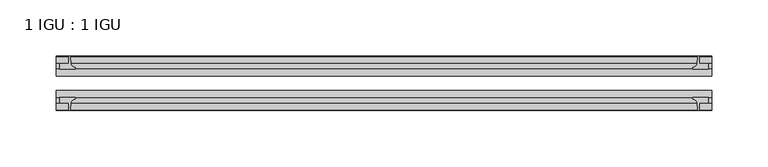
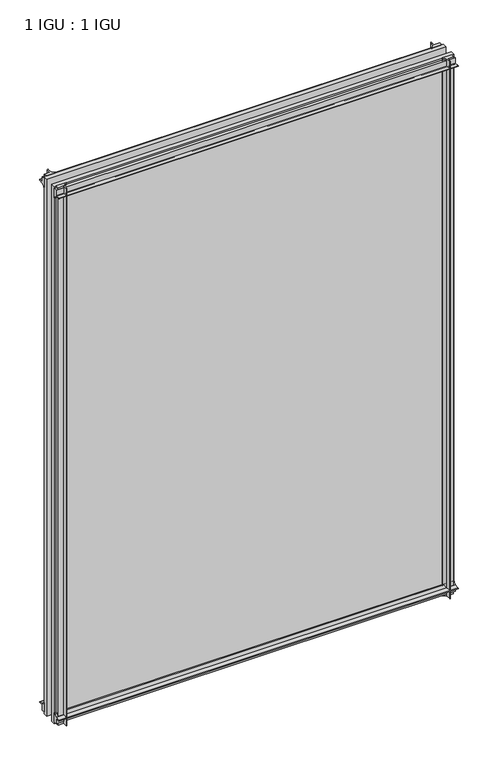
"""IFC4 building model written with IfcOpenShell, lengths in millimetres: plate geometry, 1 IGU : 1 IGU."""

from ifc_helpers import new_model, si_unit, point, frame, frame_2d, origin, place, context, project, spatial, polyline, circle_curve, trimmed, segment, composite_curve, outline, extrude, source, transform, mapped, element, save


def plate_1_igu_1_igu_956db129(model_context):
    return source(origin(), model_context, "Body", "SweptSolid", [
        extrude(outline(composite_curve([segment(polyline([(-42.3267187, -8.2068385), (-47.0892187, -8.2068385), (-47.0892187, 0.0), (-53.563779, 0.0)]), True, "CONTINUOUS"), segment(trimmed(circle_curve(frame_2d((-53.0328134, 0.3482823)), 0.635), [point((-53.563779, 0.0))], [point((-53.0575397, 0.9828007))], False, "CARTESIAN"), True, "CONTINUOUS"), segment(trimmed(circle_curve(frame_2d((-54.2310045, 31.0958559)), 30.1359106), [point((-53.0575397, 0.9828007))], [point((-47.0834032, 1.8198434))], True, "CARTESIAN"), True, "CONTINUOUS"), segment(trimmed(circle_curve(frame_2d((-48.2159797, 6.4587878)), 4.7752), [point((-47.0834032, 1.8198434))], [point((-43.578416, 5.3205707))], True, "CARTESIAN"), True, "CONTINUOUS"), segment(trimmed(circle_curve(frame_2d((-42.9617187, 5.169212)), 0.635), [point((-43.578416, 5.3205707))], [point((-42.3267187, 5.169212))], False, "CARTESIAN"), True, "CONTINUOUS"), segment(polyline([(-42.3267187, 5.169212), (-42.3267187, -8.2068385)]), True, "CONTINUOUS")], self_intersect=False)), frame((-290.5125, 0.0, 0.0), z_axis=(1.0, 0.0, 0.0), x_axis=(0.0, 1.0, 0.0)), (0.0, 0.0, 1.0), 581.025),
        extrude(outline(composite_curve([segment(polyline([(-16.9267187, -8.2068385), (-16.9267187, 5.169212)]), True, "CONTINUOUS"), segment(trimmed(circle_curve(frame_2d((-16.2917187, 5.169212)), 0.635), [point((-16.9267187, 5.169212))], [point((-15.6750215, 5.3205707))], False, "CARTESIAN"), True, "CONTINUOUS"), segment(trimmed(circle_curve(frame_2d((-11.0374578, 6.4587878)), 4.7752), [point((-15.6750215, 5.3205707))], [point((-12.1700343, 1.8198434))], True, "CARTESIAN"), True, "CONTINUOUS"), segment(trimmed(circle_curve(frame_2d((-5.022433, 31.0958559)), 30.1359106), [point((-12.1700343, 1.8198434))], [point((-6.1958978, 0.9828007))], True, "CARTESIAN"), True, "CONTINUOUS"), segment(trimmed(circle_curve(frame_2d((-6.2206241, 0.3482823)), 0.635), [point((-6.1958978, 0.9828007))], [point((-5.6896585, 0.0))], False, "CARTESIAN"), True, "CONTINUOUS"), segment(polyline([(-5.6896585, 0.0), (-12.1642187, 0.0), (-12.1642187, -8.2068385), (-16.9267187, -8.2068385)]), True, "CONTINUOUS")], self_intersect=False)), frame((-290.5125, 0.0, 0.0), z_axis=(1.0, 0.0, 0.0), x_axis=(0.0, 1.0, 0.0)), (0.0, 0.0, 1.0), 581.025),
        extrude(outline(composite_curve([segment(polyline([(-47.0892188, 803.275), (-47.0892188, 811.4818385), (-42.3267188, 811.4818385), (-42.3267188, 798.105788)]), True, "CONTINUOUS"), segment(trimmed(circle_curve(frame_2d((-42.9617187, 798.105788)), 0.635), [point((-42.3267188, 798.105788))], [point((-43.578416, 797.9544293))], False, "CARTESIAN"), True, "CONTINUOUS"), segment(trimmed(circle_curve(frame_2d((-48.2159797, 796.8162122)), 4.7752), [point((-43.578416, 797.9544293))], [point((-47.0834032, 801.4551566))], True, "CARTESIAN"), True, "CONTINUOUS"), segment(trimmed(circle_curve(frame_2d((-54.2310045, 772.1791441)), 30.1359106), [point((-47.0834032, 801.4551566))], [point((-53.0575397, 802.2921993))], True, "CARTESIAN"), True, "CONTINUOUS"), segment(trimmed(circle_curve(frame_2d((-53.0328134, 802.9267177)), 0.635), [point((-53.0575397, 802.2921993))], [point((-53.563779, 803.275))], False, "CARTESIAN"), True, "CONTINUOUS"), segment(polyline([(-53.563779, 803.275), (-47.0892188, 803.275)]), True, "CONTINUOUS")], self_intersect=False)), frame((-290.5125, 0.0, 0.0), z_axis=(1.0, 0.0, 0.0), x_axis=(0.0, 1.0, 0.0)), (0.0, 0.0, 1.0), 581.025),
        extrude(outline(composite_curve([segment(polyline([(-12.1642187, 803.275), (-5.6896585, 803.275)]), True, "CONTINUOUS"), segment(trimmed(circle_curve(frame_2d((-6.2206241, 802.9267177)), 0.635), [point((-5.6896585, 803.275))], [point((-6.1958978, 802.2921993))], False, "CARTESIAN"), True, "CONTINUOUS"), segment(trimmed(circle_curve(frame_2d((-5.022433, 772.1791441)), 30.1359106), [point((-6.1958978, 802.2921993))], [point((-12.1700343, 801.4551566))], True, "CARTESIAN"), True, "CONTINUOUS"), segment(trimmed(circle_curve(frame_2d((-11.0374578, 796.8162122)), 4.7752), [point((-12.1700343, 801.4551566))], [point((-15.6750215, 797.9544293))], True, "CARTESIAN"), True, "CONTINUOUS"), segment(trimmed(circle_curve(frame_2d((-16.2917188, 798.105788)), 0.635), [point((-15.6750215, 797.9544293))], [point((-16.9267188, 798.105788))], False, "CARTESIAN"), True, "CONTINUOUS"), segment(polyline([(-16.9267188, 798.105788), (-16.9267187, 811.4818385), (-12.1642187, 811.4818385), (-12.1642187, 803.275)]), True, "CONTINUOUS")], self_intersect=False)), frame((-290.5125, 0.0, 0.0), z_axis=(1.0, 0.0, 0.0), x_axis=(0.0, 1.0, 0.0)), (0.0, 0.0, 1.0), 581.025),
        extrude(outline(composite_curve([segment(polyline([(279.4, -5.6896585), (279.4, -12.1642188), (287.6068385, -12.1642188), (287.6068385, -16.9267187), (274.230788, -16.9267187)]), True, "CONTINUOUS"), segment(trimmed(circle_curve(frame_2d((274.230788, -16.2917188)), 0.635), [point((274.230788, -16.9267187))], [point((274.0794293, -15.6750215))], False, "CARTESIAN"), True, "CONTINUOUS"), segment(trimmed(circle_curve(frame_2d((272.9412122, -11.0374578)), 4.7752), [point((274.0794293, -15.6750215))], [point((277.5801566, -12.1700343))], True, "CARTESIAN"), True, "CONTINUOUS"), segment(trimmed(circle_curve(frame_2d((248.3041441, -5.022433)), 30.1359106), [point((277.5801566, -12.1700343))], [point((278.4171993, -6.1958978))], True, "CARTESIAN"), True, "CONTINUOUS"), segment(trimmed(circle_curve(frame_2d((279.0517177, -6.2206241)), 0.635), [point((278.4171993, -6.1958978))], [point((279.4, -5.6896585))], False, "CARTESIAN"), True, "CONTINUOUS")], self_intersect=False)), frame((0.0, 0.0, -11.1125), z_axis=(0.0, 0.0, 1.0), x_axis=(1.0, 0.0, 0.0)), (0.0, 0.0, 1.0), 825.5),
        extrude(outline(composite_curve([segment(trimmed(circle_curve(frame_2d((279.0517177, -53.0328134)), 0.635), [point((279.4, -53.563779))], [point((278.4171993, -53.0575397))], False, "CARTESIAN"), True, "CONTINUOUS"), segment(trimmed(circle_curve(frame_2d((248.3041441, -54.2310045)), 30.1359106), [point((278.4171993, -53.0575397))], [point((277.5801566, -47.0834032))], True, "CARTESIAN"), True, "CONTINUOUS"), segment(trimmed(circle_curve(frame_2d((272.9412122, -48.2159797)), 4.7752), [point((277.5801566, -47.0834032))], [point((274.0794293, -43.578416))], True, "CARTESIAN"), True, "CONTINUOUS"), segment(trimmed(circle_curve(frame_2d((274.230788, -42.9617187)), 0.635), [point((274.0794293, -43.578416))], [point((274.230788, -42.3267187))], False, "CARTESIAN"), True, "CONTINUOUS"), segment(polyline([(274.230788, -42.3267187), (287.6068385, -42.3267187), (287.6068385, -47.0892188), (279.4, -47.0892188), (279.4, -53.563779)]), True, "CONTINUOUS")], self_intersect=False)), frame((0.0, 0.0, -11.1125), z_axis=(0.0, 0.0, 1.0), x_axis=(1.0, 0.0, 0.0)), (0.0, 0.0, 1.0), 825.5),
        extrude(outline(composite_curve([segment(trimmed(circle_curve(frame_2d((-279.0517177, -6.2206241)), 0.635), [point((-279.4, -5.6896585))], [point((-278.4171993, -6.1958978))], False, "CARTESIAN"), True, "CONTINUOUS"), segment(trimmed(circle_curve(frame_2d((-248.3041441, -5.022433)), 30.1359106), [point((-278.4171993, -6.1958978))], [point((-277.5801566, -12.1700343))], True, "CARTESIAN"), True, "CONTINUOUS"), segment(trimmed(circle_curve(frame_2d((-272.9412122, -11.0374578)), 4.7752), [point((-277.5801566, -12.1700343))], [point((-274.0794293, -15.6750215))], True, "CARTESIAN"), True, "CONTINUOUS"), segment(trimmed(circle_curve(frame_2d((-274.230788, -16.2917187)), 0.635), [point((-274.0794293, -15.6750215))], [point((-274.230788, -16.9267187))], False, "CARTESIAN"), True, "CONTINUOUS"), segment(polyline([(-274.230788, -16.9267187), (-287.6068385, -16.9267187), (-287.6068385, -12.1642187), (-279.4, -12.1642187), (-279.4, -5.6896585)]), True, "CONTINUOUS")], self_intersect=False)), frame((0.0, 0.0, -11.1125), z_axis=(0.0, 0.0, 1.0), x_axis=(1.0, 0.0, 0.0)), (0.0, 0.0, 1.0), 825.5),
        extrude(outline(composite_curve([segment(polyline([(-279.4, -53.563779), (-279.4, -47.0892187), (-287.6068385, -47.0892187), (-287.6068385, -42.3267188), (-274.230788, -42.3267188)]), True, "CONTINUOUS"), segment(trimmed(circle_curve(frame_2d((-274.230788, -42.9617187)), 0.635), [point((-274.230788, -42.3267188))], [point((-274.0794293, -43.578416))], False, "CARTESIAN"), True, "CONTINUOUS"), segment(trimmed(circle_curve(frame_2d((-272.9412122, -48.2159797)), 4.7752), [point((-274.0794293, -43.578416))], [point((-277.5801566, -47.0834032))], True, "CARTESIAN"), True, "CONTINUOUS"), segment(trimmed(circle_curve(frame_2d((-248.3041441, -54.2310045)), 30.1359106), [point((-277.5801566, -47.0834032))], [point((-278.4171993, -53.0575397))], True, "CARTESIAN"), True, "CONTINUOUS"), segment(trimmed(circle_curve(frame_2d((-279.0517177, -53.0328134)), 0.635), [point((-278.4171993, -53.0575397))], [point((-279.4, -53.563779))], False, "CARTESIAN"), True, "CONTINUOUS")], self_intersect=False)), frame((0.0, 0.0, -11.1125), z_axis=(0.0, 0.0, 1.0), x_axis=(1.0, 0.0, 0.0)), (0.0, 0.0, 1.0), 825.5),
        extrude(outline(polyline([(290.5125, -16.9267187), (290.5125, -23.2259187), (-290.5125, -23.2259187), (-290.5125, -16.9267187), (290.5125, -16.9267187)])), frame((0.0, 0.0, -11.1125), z_axis=(0.0, 0.0, 1.0), x_axis=(1.0, 0.0, 0.0)), (0.0, 0.0, 1.0), 825.5),
        extrude(outline(polyline([(290.5125, -36.0275187), (290.5125, -42.3267187), (-290.5125, -42.3267187), (-290.5125, -36.0275187), (290.5125, -36.0275187)])), frame((0.0, 0.0, -11.1125), z_axis=(0.0, 0.0, 1.0), x_axis=(1.0, 0.0, 0.0)), (0.0, 0.0, 1.0), 825.5),
    ])


if __name__ == "__main__":
    model = new_model("IFC4")
    model_context = context("Model", 3, world=origin())
    ifc_project = project(units=[si_unit("LENGTHUNIT", "METRE", prefix="MILLI")], contexts=[model_context])
    site = spatial("IfcSite", under=ifc_project)
    building = spatial("IfcBuilding", under=site)
    placement = place(None, origin())
    plate_1_igu_1_igu_shape = plate_1_igu_1_igu_956db129(model_context)
    element("IfcPlate", 1, ObjectType="1 IGU : 1 IGU", at=placement, inside=building, context=model_context, shape_type="MappedRepresentation", body=[
        mapped(plate_1_igu_1_igu_shape, transform((0.0, 0.0, 0.0), x_axis=(1.0, 0.0, 0.0), y_axis=(0.0, 1.0, 0.0), z_axis=(0.0, 0.0, 1.0))),
    ])
    save(model, "model.ifc")
